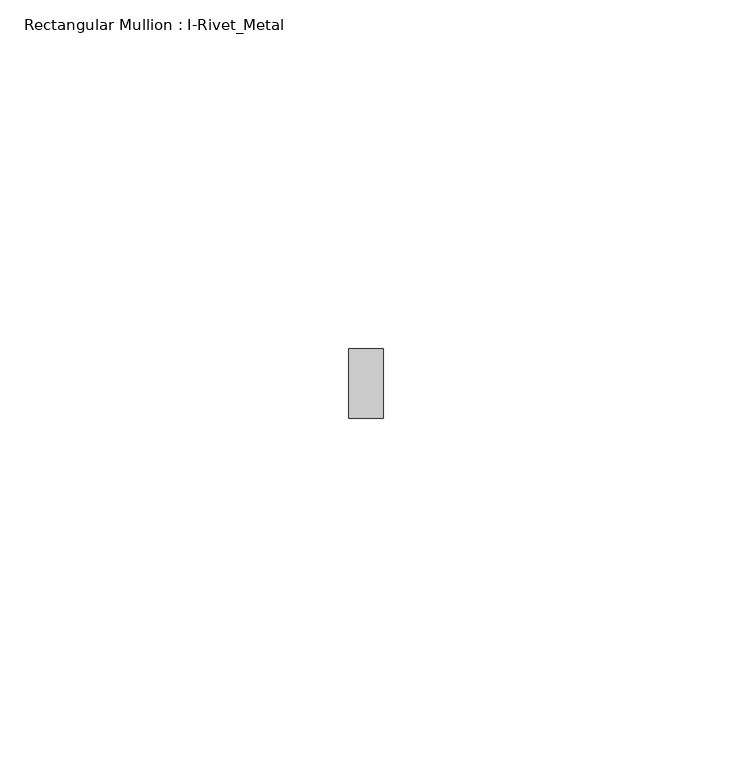
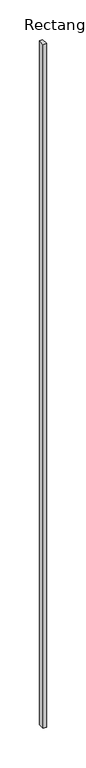
"""IFC4 building model written with IfcOpenShell, lengths in millimetres: member geometry, Rectangular Mullion : I-Rivet_Metal."""

from ifc_helpers import new_model, si_unit, frame, origin, place, context, project, spatial, polyline, outline, extrude, source, transform, mapped, element, save


def rectangular_mullion_i_rivet_metal_7a3cdded(model_context):
    return source(origin(), model_context, "Body", "SweptSolid", [
        extrude(outline(polyline([(2.5, 70.0), (-2.5, 70.0), (-2.5, 80.0), (2.5, 80.0), (2.5, 70.0)])), frame((0.0, 0.0, -1055.5587877), z_axis=(0.0, 0.0, 1.0), x_axis=(1.0, 0.0, 0.0)), (0.0, 0.0, 1.0), 1055.5587877),
    ])


if __name__ == "__main__":
    model = new_model("IFC4")
    model_context = context("Model", 3, world=origin())
    ifc_project = project(units=[si_unit("LENGTHUNIT", "METRE", prefix="MILLI")], contexts=[model_context])
    site = spatial("IfcSite", under=ifc_project)
    building = spatial("IfcBuilding", under=site)
    placement = place(None, origin())
    rectangular_mullion_i_rivet_metal_shape = rectangular_mullion_i_rivet_metal_7a3cdded(model_context)
    element("IfcMember", 1, ObjectType="Rectangular Mullion : I-Rivet_Metal", at=placement, inside=building, context=model_context, shape_type="MappedRepresentation", body=[
        mapped(rectangular_mullion_i_rivet_metal_shape, transform((0.0, 0.0, 0.0), x_axis=(1.0, 0.0, 0.0), y_axis=(0.0, 1.0, 0.0), z_axis=(0.0, 0.0, 1.0))),
    ])
    save(model, "model.ifc")
